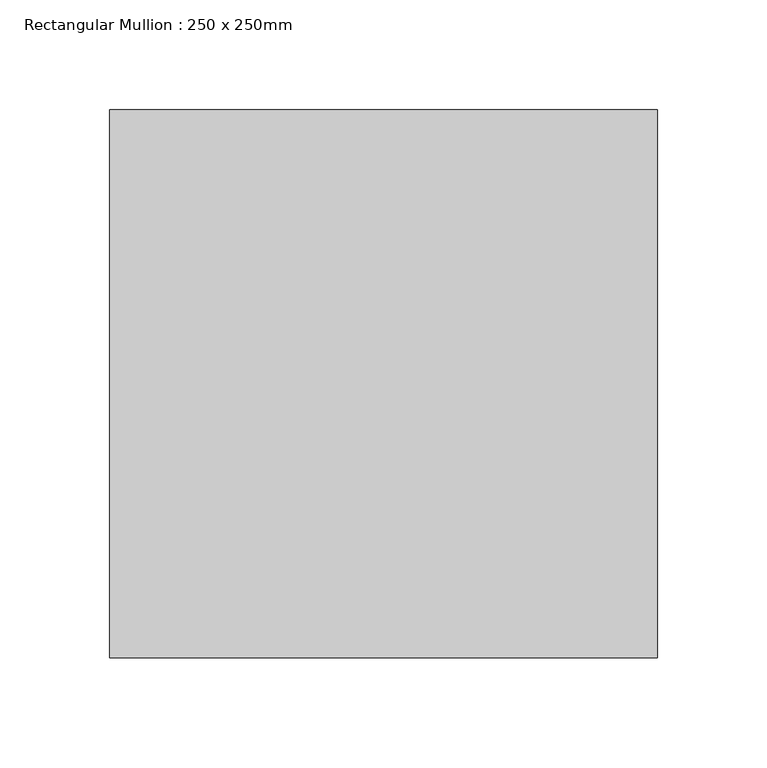
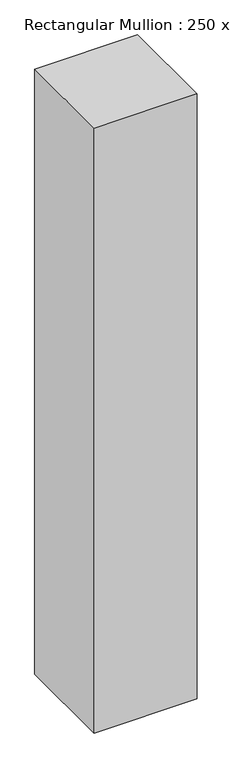
"""IFC4 building model written with IfcOpenShell, lengths in millimetres: member geometry, Rectangular Mullion : 250 x 250mm."""

from ifc_helpers import new_model, si_unit, frame, origin, place, context, project, spatial, polyline, outline, extrude, source, transform, mapped, element, save


def rectangular_mullion_250_x_250mm_72ca8b3a(model_context):
    return source(origin(), model_context, "Body", "SweptSolid", [
        extrude(outline(polyline([(0.0, 125.0), (0.0, -125.0), (-250.0, -125.0), (-250.0, 125.0), (0.0, 125.0)])), frame((0.0, 0.0, -1552.9142706), z_axis=(0.0, 0.0, 1.0), x_axis=(1.0, 0.0, 0.0)), (0.0, 0.0, 1.0), 1552.9142706),
    ])


if __name__ == "__main__":
    model = new_model("IFC4")
    model_context = context("Model", 3, world=origin())
    ifc_project = project(units=[si_unit("LENGTHUNIT", "METRE", prefix="MILLI")], contexts=[model_context])
    site = spatial("IfcSite", under=ifc_project)
    building = spatial("IfcBuilding", under=site)
    placement = place(None, origin())
    rectangular_mullion_250_x_250mm_shape = rectangular_mullion_250_x_250mm_72ca8b3a(model_context)
    element("IfcMember", 1, ObjectType="Rectangular Mullion : 250 x 250mm", at=placement, inside=building, context=model_context, shape_type="MappedRepresentation", body=[
        mapped(rectangular_mullion_250_x_250mm_shape, transform((0.0, 0.0, 0.0), x_axis=(1.0, 0.0, 0.0), y_axis=(0.0, 1.0, 0.0), z_axis=(0.0, 0.0, 1.0))),
    ])
    save(model, "model.ifc")
